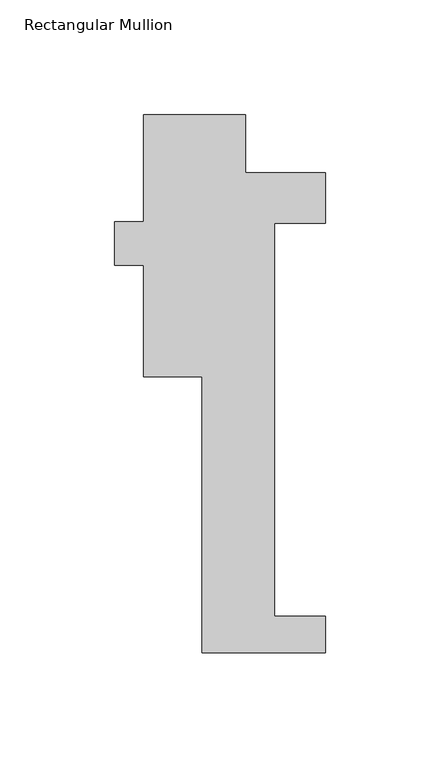
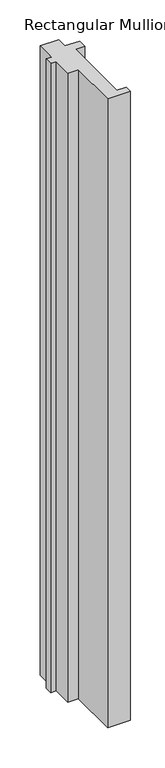
"""IFC4 building model written with IfcOpenShell, lengths in millimetres: member geometry, Rectangular Mullion."""

from ifc_helpers import new_model, si_unit, frame, origin, place, context, project, spatial, polyline, outline, extrude, source, transform, mapped, element, save


def rectangular_mullion_2120f23b(model_context):
    return source(origin(), model_context, "Body", "SweptSolid", [
        extrude(outline(polyline([(-15.875, -221.996), (-15.875, -101.6), (-41.275, -101.6), (-41.275, -53.0709981), (-53.9837706, -53.0709981), (-53.9837706, -34.0209981), (-41.275, -34.0209981), (-41.275, 12.7), (3.175, 12.7), (3.175, -12.7), (38.1, -12.7), (38.1, -34.671), (15.875, -34.671), (15.875, -206.121), (38.1, -206.121), (38.1, -221.996), (-15.875, -221.996)])), frame((0.0, 0.0, -1590.675), z_axis=(0.0, 0.0, 1.0), x_axis=(1.0, 0.0, 0.0)), (0.0, 0.0, 1.0), 1590.675),
    ])


if __name__ == "__main__":
    model = new_model("IFC4")
    model_context = context("Model", 3, world=origin())
    ifc_project = project(units=[si_unit("LENGTHUNIT", "METRE", prefix="MILLI")], contexts=[model_context])
    site = spatial("IfcSite", under=ifc_project)
    building = spatial("IfcBuilding", under=site)
    placement = place(None, origin())
    rectangular_mullion_shape = rectangular_mullion_2120f23b(model_context)
    element("IfcMember", 1, ObjectType="Rectangular Mullion", at=placement, inside=building, context=model_context, shape_type="MappedRepresentation", body=[
        mapped(rectangular_mullion_shape, transform((0.0, 0.0, 0.0), x_axis=(1.0, 0.0, 0.0), y_axis=(0.0, 1.0, 0.0), z_axis=(0.0, 0.0, 1.0))),
    ])
    save(model, "model.ifc")
